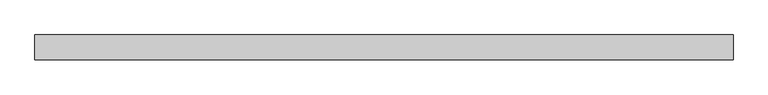
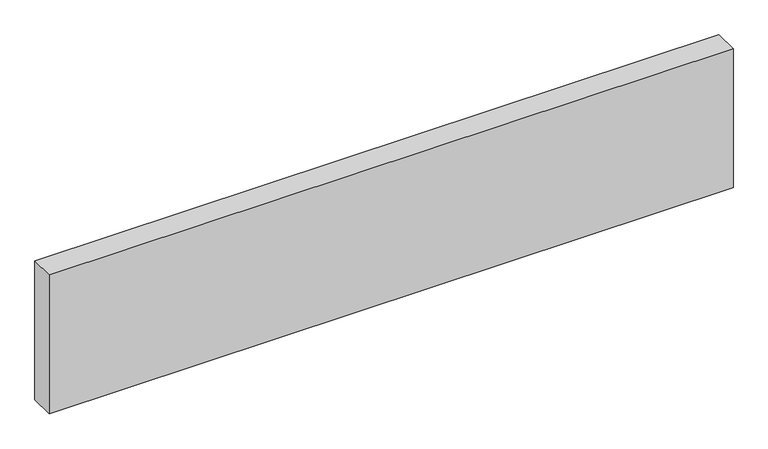
"""IFC4 building model written with IfcOpenShell, lengths in millimetres: proxy geometry."""

from ifc_helpers import new_model, si_unit, origin, origin_with_axes, place, context, project, spatial, polyline, outline, extrude, source, transform, mapped, element, save


def specialty_equipment_6a1b7d1e(model_context):
    return source(origin(), model_context, "Body", "SweptSolid", [
        extrude(outline(polyline([(700.0, 25.0), (700.0, -25.0), (-700.0, -25.0), (-700.0, 25.0), (700.0, 25.0)])), origin_with_axes(), (0.0, 0.0, 1.0), 300.0),
    ])


if __name__ == "__main__":
    model = new_model("IFC4")
    model_context = context("Model", 3, world=origin())
    ifc_project = project(units=[si_unit("LENGTHUNIT", "METRE", prefix="MILLI")], contexts=[model_context])
    site = spatial("IfcSite", under=ifc_project)
    building = spatial("IfcBuilding", under=site)
    placement = place(None, origin())
    specialty_equipment_shape = specialty_equipment_6a1b7d1e(model_context)
    element("IfcBuildingElementProxy", 1, Name="Specialty Equipment", at=placement, inside=building, context=model_context, shape_type="MappedRepresentation", body=[
        mapped(specialty_equipment_shape, transform((0.0, 0.0, 0.0), x_axis=(1.0, 0.0, 0.0), y_axis=(0.0, 1.0, 0.0), z_axis=(0.0, 0.0, 1.0))),
    ])
    save(model, "model.ifc")
